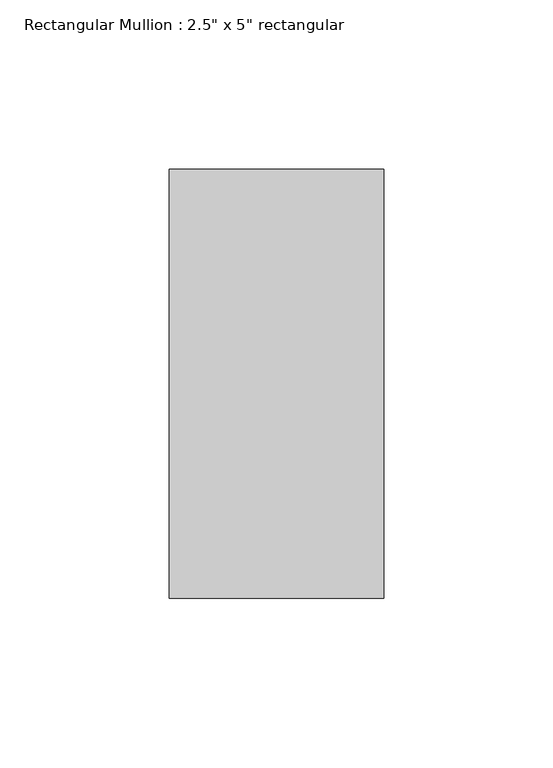
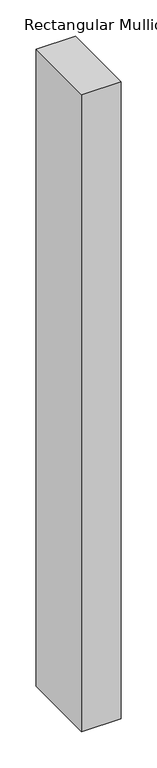
"""IFC4 building model written with IfcOpenShell, lengths in millimetres: member geometry."""

from ifc_helpers import new_model, si_unit, frame, origin, place, context, project, spatial, polyline, outline, extrude, source, transform, mapped, element, save


def member_bf0a6844(model_context):
    return source(origin(), model_context, "Body", "SweptSolid", [
        extrude(outline(polyline([(31.75, 63.5), (31.75, -63.5), (-31.75, -63.5), (-31.75, 63.5), (31.75, 63.5)])), frame((0.0, 0.0, -1079.5), z_axis=(0.0, 0.0, 1.0), x_axis=(1.0, 0.0, 0.0)), (0.0, 0.0, 1.0), 1079.5),
    ])


if __name__ == "__main__":
    model = new_model("IFC4")
    model_context = context("Model", 3, world=origin())
    ifc_project = project(units=[si_unit("LENGTHUNIT", "METRE", prefix="MILLI")], contexts=[model_context])
    site = spatial("IfcSite", under=ifc_project)
    building = spatial("IfcBuilding", under=site)
    placement = place(None, origin())
    member_shape = member_bf0a6844(model_context)
    element("IfcMember", 1, ObjectType="Rectangular Mullion : 2.5\" x 5\" rectangular", at=placement, inside=building, context=model_context, shape_type="MappedRepresentation", body=[
        mapped(member_shape, transform((0.0, 0.0, 0.0), x_axis=(1.0, 0.0, 0.0), y_axis=(0.0, 1.0, 0.0), z_axis=(0.0, 0.0, 1.0))),
    ])
    save(model, "model.ifc")
